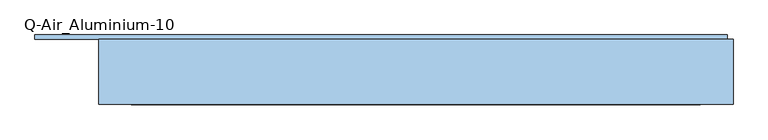
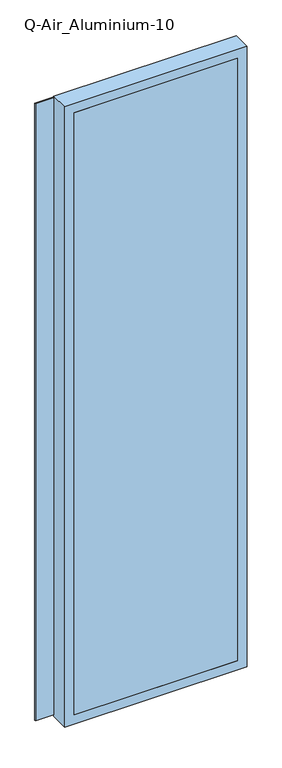
"""IFC4 building model written with IfcOpenShell, lengths in millimetres: window geometry, Q-Air_Aluminium-10."""

from ifc_helpers import new_model, si_unit, frame, origin, place, context, project, spatial, polyline, outline, extrude, source, transform, mapped, element, save


def q_air_aluminium_10_39af4364(model_context):
    return source(origin(), model_context, "Body", "SweptSolid", [
        extrude(outline(polyline([(4020.0, 560.0000002), (4020.0, -560.0000002), (0.0, -560.0000002), (0.0, 560.0000002), (4020.0, 560.0000002)]), holes=[polyline([(3962.0, 502.0000002), (58.0, 502.0000002), (58.0, -502.0000002), (3962.0, -502.0000002), (3962.0, 502.0000002)])]), frame((0.0, 0.0, 0.0), z_axis=(0.0, 1.0, 0.0), x_axis=(0.0, 0.0, 1.0)), (0.0, 0.0, 1.0), 114.5),
        extrude(outline(polyline([(502.0000002, 0.0), (-502.0000002, 0.0), (-502.0000002, 12.5), (502.0000002, 12.5), (502.0000002, 0.0)])), frame((0.0, 0.0, 58.0), z_axis=(0.0, 0.0, 1.0), x_axis=(1.0, 0.0, 0.0)), (0.0, 0.0, 1.0), 3904.0),
        extrude(outline(polyline([(550.0000002, 114.5), (-672.4000002, 114.5), (-672.4000002, 122.5), (550.0000002, 122.5), (550.0000002, 114.5)])), frame((0.0, 0.0, 10.0), z_axis=(0.0, 0.0, 1.0), x_axis=(1.0, 0.0, 0.0)), (0.0, 0.0, 1.0), 4000.0),
        extrude(outline(polyline([(4010.0, 550.0000002), (4010.0, -672.4000002), (10.0, -672.4000002), (10.0, 550.0000002), (4010.0, 550.0000002)]), holes=[polyline([(3962.0, 502.0000002), (58.0, 502.0000002), (58.0, -502.0000002), (3962.0, -502.0000002), (3962.0, 502.0000002)])]), frame((0.0, 114.5, 0.0), z_axis=(0.0, 1.0, 0.0), x_axis=(0.0, 0.0, 1.0)), (0.0, 0.0, 1.0), 4.0),
    ])


if __name__ == "__main__":
    model = new_model("IFC4")
    model_context = context("Model", 3, world=origin())
    ifc_project = project(units=[si_unit("LENGTHUNIT", "METRE", prefix="MILLI")], contexts=[model_context])
    site = spatial("IfcSite", under=ifc_project)
    building = spatial("IfcBuilding", under=site)
    placement = place(None, origin())
    q_air_aluminium_10_shape = q_air_aluminium_10_39af4364(model_context)
    element("IfcWindow", 1, ObjectType="Q-Air_Aluminium-10", at=placement, inside=building, context=model_context, shape_type="MappedRepresentation", body=[
        mapped(q_air_aluminium_10_shape, transform((0.0, 0.0, 0.0), x_axis=(1.0, 0.0, 0.0), y_axis=(0.0, 1.0, 0.0), z_axis=(0.0, 0.0, 1.0))),
    ])
    save(model, "model.ifc")
